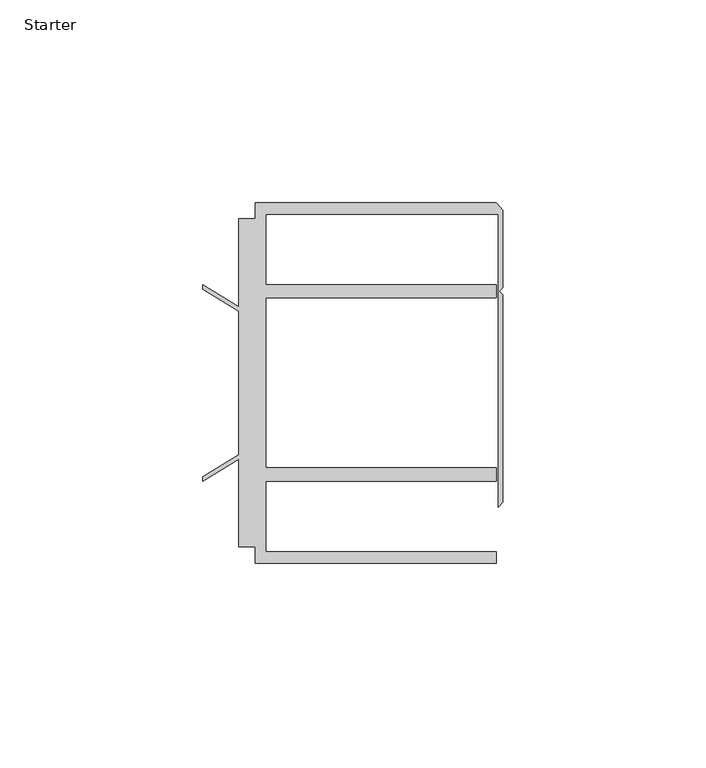
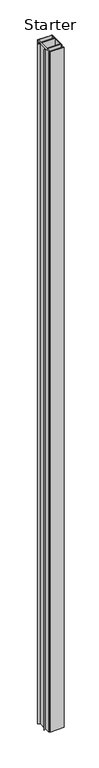
"""IFC4 building model written with IfcOpenShell, lengths in millimetres: furniture geometry, Starter."""

from ifc_helpers import new_model, si_unit, origin, origin_with_axes, place, context, project, spatial, polyline, outline, extrude, source, transform, mapped, element, save


def starter_0e459246(model_context):
    return source(origin(), model_context, "Body", "SweptSolid", [
        extrude(outline(polyline([(33.9771533, 59.951805), (93.4771531, 59.951805), (95.0646531, 58.0797005), (95.0646531, 39.033865), (94.1563205, 38.1255324), (95.0646531, 37.2171998), (95.0646531, -13.9690637), (93.9195633, -15.1141535), (93.9195633, 57.1518064), (36.5771534, 57.1518064), (36.5771534, 39.7518058), (93.4771531, 39.7518058), (93.4771531, 36.4518057), (36.5771534, 36.4518057), (36.5771534, -5.4481956), (93.4771531, -5.4481956), (93.4771531, -8.7481957), (36.5771534, -8.7481957), (36.5771534, -26.1481963), (93.4771531, -26.1481963), (93.4771531, -28.948195), (33.9771533, -28.948195), (33.9771533, -24.9481962), (29.9771531, -24.9481962), (29.9771531, -3.3413694), (21.0330919, -8.7481957), (21.0330919, -7.5934952), (29.9771531, -2.1866688), (29.9771531, 33.1902789), (21.0330919, 38.5971052), (21.0330919, 39.7518058), (29.9771531, 34.3449795), (29.9771531, 55.9518063), (33.9771533, 55.9518063), (33.9771533, 59.951805)])), origin_with_axes(), (0.0, 0.0, 1.0), 3048.0),
    ])


if __name__ == "__main__":
    model = new_model("IFC4")
    model_context = context("Model", 3, world=origin())
    ifc_project = project(units=[si_unit("LENGTHUNIT", "METRE", prefix="MILLI")], contexts=[model_context])
    site = spatial("IfcSite", under=ifc_project)
    building = spatial("IfcBuilding", under=site)
    placement = place(None, origin())
    starter_shape = starter_0e459246(model_context)
    element("IfcFurniture", 1, ObjectType="Starter", at=placement, inside=building, context=model_context, shape_type="MappedRepresentation", body=[
        mapped(starter_shape, transform((0.0, 0.0, 0.0), x_axis=(1.0, 0.0, 0.0), y_axis=(0.0, 1.0, 0.0), z_axis=(0.0, 0.0, 1.0))),
    ])
    save(model, "model.ifc")
